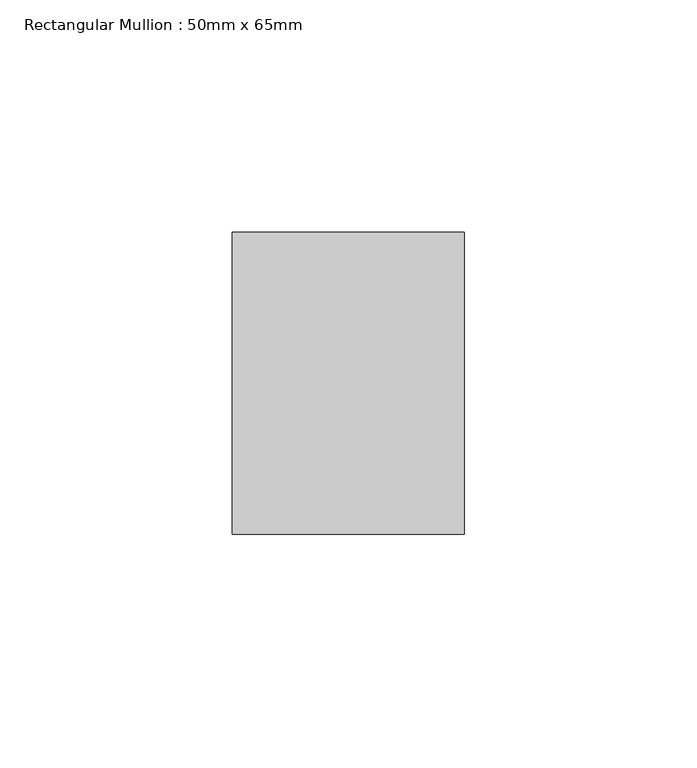
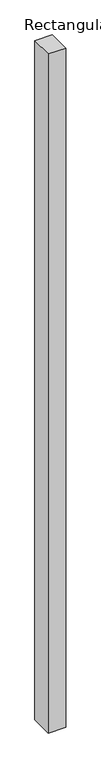
"""IFC4 building model written with IfcOpenShell, lengths in millimetres: member geometry, Rectangular Mullion : 50mm x 65mm."""

from ifc_helpers import new_model, si_unit, frame, origin, place, context, project, spatial, polyline, outline, extrude, source, transform, mapped, element, save


def rectangular_mullion_50mm_x_65mm_0ecf5461(model_context):
    return source(origin(), model_context, "Body", "SweptSolid", [
        extrude(outline(polyline([(25.0, 32.5), (25.0, -32.5), (-25.0, -32.5), (-25.0, 32.5), (25.0, 32.5)])), frame((0.0, 0.0, -2042.0395593), z_axis=(0.0, 0.0, 1.0), x_axis=(1.0, 0.0, 0.0)), (0.0, 0.0, 1.0), 2042.0395593),
    ])


if __name__ == "__main__":
    model = new_model("IFC4")
    model_context = context("Model", 3, world=origin())
    ifc_project = project(units=[si_unit("LENGTHUNIT", "METRE", prefix="MILLI")], contexts=[model_context])
    site = spatial("IfcSite", under=ifc_project)
    building = spatial("IfcBuilding", under=site)
    placement = place(None, origin())
    rectangular_mullion_50mm_x_65mm_shape = rectangular_mullion_50mm_x_65mm_0ecf5461(model_context)
    element("IfcMember", 1, ObjectType="Rectangular Mullion : 50mm x 65mm", at=placement, inside=building, context=model_context, shape_type="MappedRepresentation", body=[
        mapped(rectangular_mullion_50mm_x_65mm_shape, transform((0.0, 0.0, 0.0), x_axis=(1.0, 0.0, 0.0), y_axis=(0.0, 1.0, 0.0), z_axis=(0.0, 0.0, 1.0))),
    ])
    save(model, "model.ifc")
